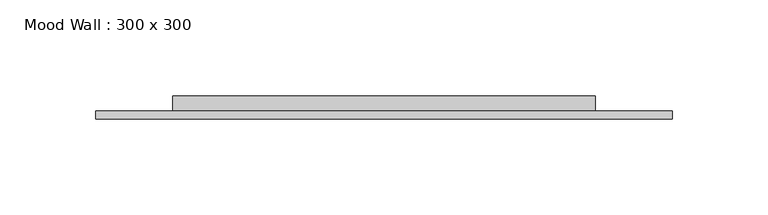
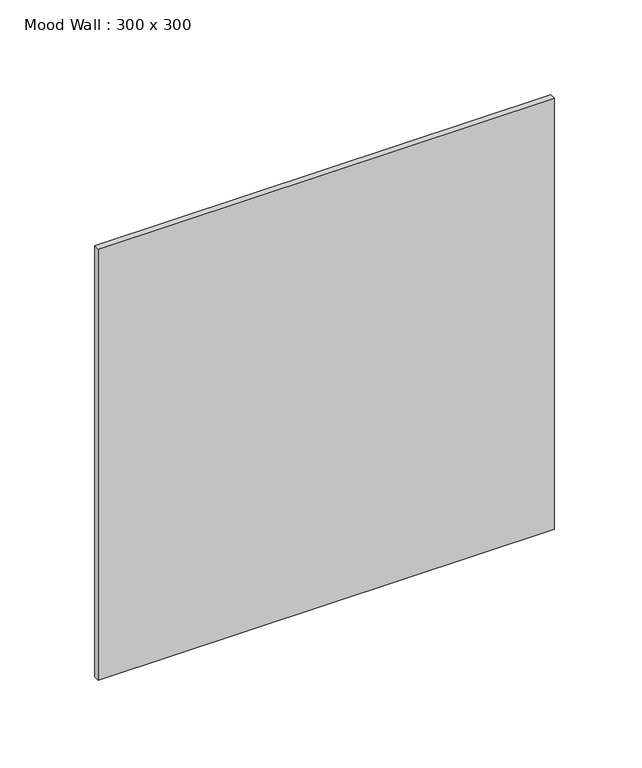
"""IFC4 building model written with IfcOpenShell, lengths in millimetres: furniture geometry, Mood Wall : 300 x 300."""

from ifc_helpers import new_model, si_unit, frame, origin, origin_with_axes, place, context, project, spatial, polyline, outline, extrude, source, transform, mapped, element, save


def mood_wall_300_x_300_93cfaeff(model_context):
    return source(origin(), model_context, "Body", "SweptSolid", [
        extrude(outline(polyline([(150.01875, -8.0), (150.01875, -12.0), (-150.01875, -12.0), (-150.01875, -8.0), (150.01875, -8.0)])), origin_with_axes(), (0.0, 0.0, 1.0), 300.0375),
        extrude(outline(polyline([(110.01875, 0.0), (110.01875, -8.0), (-110.01875, -8.0), (-110.01875, 0.0), (110.01875, 0.0)])), frame((0.0, 0.0, 40.0), z_axis=(0.0, 0.0, 1.0), x_axis=(1.0, 0.0, 0.0)), (0.0, 0.0, 1.0), 220.0375),
    ])


if __name__ == "__main__":
    model = new_model("IFC4")
    model_context = context("Model", 3, world=origin())
    ifc_project = project(units=[si_unit("LENGTHUNIT", "METRE", prefix="MILLI")], contexts=[model_context])
    site = spatial("IfcSite", under=ifc_project)
    building = spatial("IfcBuilding", under=site)
    placement = place(None, origin())
    mood_wall_300_x_300_shape = mood_wall_300_x_300_93cfaeff(model_context)
    element("IfcFurniture", 1, ObjectType="Mood Wall : 300 x 300", at=placement, inside=building, context=model_context, shape_type="MappedRepresentation", body=[
        mapped(mood_wall_300_x_300_shape, transform((0.0, 0.0, 0.0), x_axis=(1.0, 0.0, 0.0), y_axis=(0.0, 1.0, 0.0), z_axis=(0.0, 0.0, 1.0))),
    ])
    save(model, "model.ifc")
